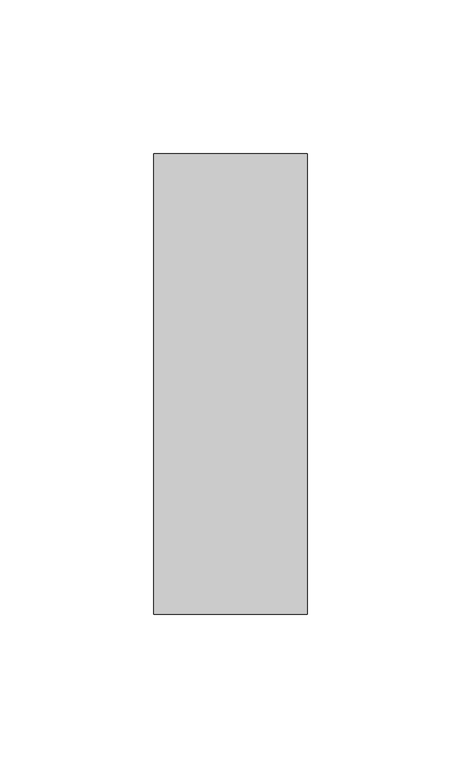
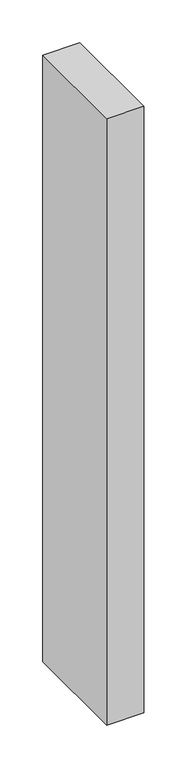
"""IFC4 building model written with IfcOpenShell, lengths in millimetres: member geometry."""

from ifc_helpers import new_model, si_unit, frame, origin, place, context, project, spatial, polyline, outline, extrude, source, transform, mapped, element, save


def member_d6101069(model_context):
    return source(origin(), model_context, "Body", "SweptSolid", [
        extrude(outline(polyline([(0.0, 75.0), (0.0, -75.0), (-50.0, -75.0), (-50.0, 75.0), (0.0, 75.0)])), frame((0.0, 0.0, -865.9348165), z_axis=(0.0, 0.0, 1.0), x_axis=(1.0, 0.0, 0.0)), (0.0, 0.0, 1.0), 865.9348165),
    ])


if __name__ == "__main__":
    model = new_model("IFC4")
    model_context = context("Model", 3, world=origin())
    ifc_project = project(units=[si_unit("LENGTHUNIT", "METRE", prefix="MILLI")], contexts=[model_context])
    site = spatial("IfcSite", under=ifc_project)
    building = spatial("IfcBuilding", under=site)
    placement = place(None, origin())
    member_shape = member_d6101069(model_context)
    element("IfcMember", 1, at=placement, inside=building, context=model_context, shape_type="MappedRepresentation", body=[
        mapped(member_shape, transform((0.0, 0.0, 0.0), x_axis=(1.0, 0.0, 0.0), y_axis=(0.0, 1.0, 0.0), z_axis=(0.0, 0.0, 1.0))),
    ])
    save(model, "model.ifc")
